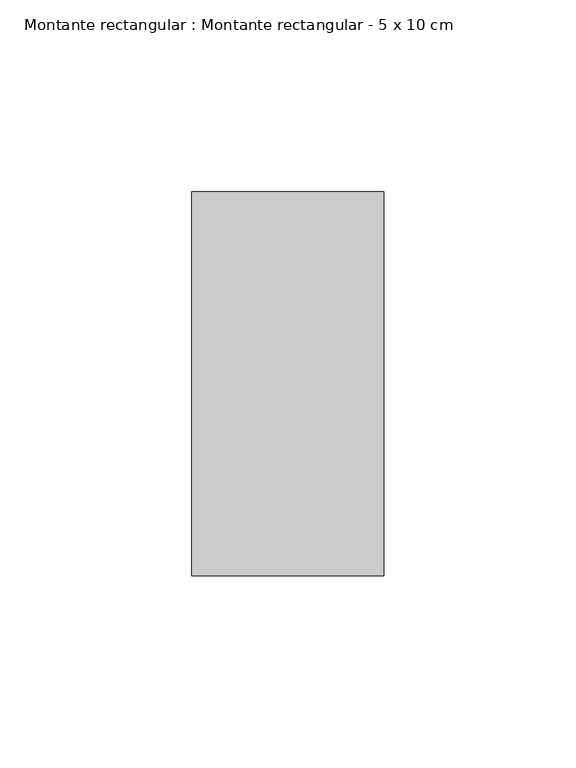
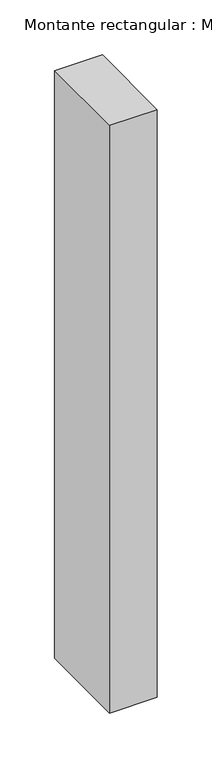
"""IFC4 building model written with IfcOpenShell, lengths in millimetres: member geometry, Montante rectangular : Montante rectangular - 5 x 10 cm."""

from ifc_helpers import new_model, si_unit, frame, origin, place, context, project, spatial, polyline, outline, extrude, source, transform, mapped, element, save


def montante_rectangular_montante_rectangular_5_x_10_cm_1a99ce4d(model_context):
    return source(origin(), model_context, "Body", "SweptSolid", [
        extrude(outline(polyline([(-50.0, 50.0), (0.0, 50.0), (0.0, -50.0), (-50.0, -50.0), (-50.0, 50.0)])), frame((0.0, 0.0, -653.0), z_axis=(0.0, 0.0, 1.0), x_axis=(1.0, 0.0, 0.0)), (0.0, 0.0, 1.0), 653.0),
    ])


if __name__ == "__main__":
    model = new_model("IFC4")
    model_context = context("Model", 3, world=origin())
    ifc_project = project(units=[si_unit("LENGTHUNIT", "METRE", prefix="MILLI")], contexts=[model_context])
    site = spatial("IfcSite", under=ifc_project)
    building = spatial("IfcBuilding", under=site)
    placement = place(None, origin())
    montante_rectangular_montante_rectangular_5_x_10_cm_shape = montante_rectangular_montante_rectangular_5_x_10_cm_1a99ce4d(model_context)
    element("IfcMember", 1, ObjectType="Montante rectangular : Montante rectangular - 5 x 10 cm", at=placement, inside=building, context=model_context, shape_type="MappedRepresentation", body=[
        mapped(montante_rectangular_montante_rectangular_5_x_10_cm_shape, transform((0.0, 0.0, 0.0), x_axis=(1.0, 0.0, 0.0), y_axis=(0.0, 1.0, 0.0), z_axis=(0.0, 0.0, 1.0))),
    ])
    save(model, "model.ifc")
